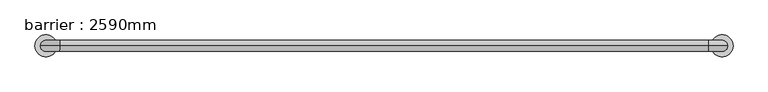
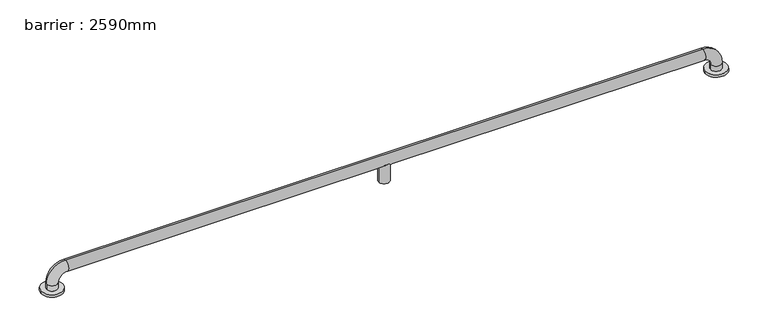
"""IFC4 building model written with IfcOpenShell, lengths in millimetres: geographic element geometry, barrier : 2590mm."""

from ifc_helpers import new_model, si_unit, point, frame, origin, place, context, project, spatial, circle_curve, ellipse_curve, trimmed, source, transform, mapped, element, save
from ifc_brep_helpers import plane_surface, cylinder_surface, revolved_surface, advanced_brep


def barrier_2590mm_ae990347(model_context):
    return source(origin(), model_context, "Body", "AdvancedBrep", [
        advanced_brep(
        [(-513.2930731, 0.0, 0.0), (-433.2930731, 0.0, 0.0), (1949.2740909, 0.0, 0.0), (2029.2740909, 0.0, 0.0), (-453.2930731, 0.0, 30.0), (-493.2930731, 0.0, 30.0), (-493.2930731, 0.0, 10.0), (-453.2930731, 0.0, 10.0), (-423.2930731, 0.0, 60.0), (-423.2930731, 0.0, 100.0), (737.9905089, 0.0, 60.0), (749.2967977, -18.0116458, 71.3062888), (766.6842201, -18.0116458, 71.3062888), (777.9905089, 0.0, 60.0), (1939.2740909, 0.0, 60.0), (1939.2740909, 0.0, 100.0), (766.6842201, 18.0116458, 71.3062888), (749.2967977, 18.0116458, 71.3062888), (1969.2740909, 0.0, 30.0), (2009.2740909, 0.0, 30.0), (1969.2740909, 0.0, 10.0), (2009.2740909, 0.0, 10.0), (737.9905089, 0.0, 0.0), (777.9905089, 0.0, 0.0), (-513.2930731, 0.0, 10.0), (-433.2930731, 0.0, 10.0), (1949.2740909, 0.0, 10.0), (2029.2740909, 0.0, 10.0)],
        [
            (0, 1, circle_curve(frame((-473.2930731, 0.0, 0.0), z_axis=(0.0, 0.0, -1.0), x_axis=(1.0, 0.0, 0.0)), 40.0)),
            (1, 0, circle_curve(frame((-473.2930731, 0.0, 0.0), z_axis=(0.0, 0.0, -1.0), x_axis=(1.0, 0.0, 0.0)), 40.0)),
            (2, 3, circle_curve(frame((1989.2740909, 0.0, 0.0), z_axis=(0.0, 0.0, -1.0), x_axis=(1.0, 0.0, 0.0)), 40.0)),
            (3, 2, circle_curve(frame((1989.2740909, 0.0, 0.0), z_axis=(0.0, 0.0, -1.0), x_axis=(1.0, 0.0, 0.0)), 40.0)),
            (4, 5, circle_curve(frame((-473.2930731, 0.0, 30.0), z_axis=(0.0, 0.0, -1.0), x_axis=(-1.0, 0.0, 0.0)), 20.0)),
            (5, 6),
            (6, 7, circle_curve(frame((-473.2930731, 0.0, 10.0), z_axis=(0.0, 0.0, 1.0), x_axis=(-1.0, 0.0, 0.0)), 20.0)),
            (7, 4),
            (5, 4, circle_curve(frame((-473.2930731, 0.0, 30.0), z_axis=(0.0, 0.0, -1.0), x_axis=(-1.0, 0.0, 0.0)), 20.0)),
            (7, 6, circle_curve(frame((-473.2930731, 0.0, 10.0), z_axis=(0.0, 0.0, 1.0), x_axis=(-1.0, 0.0, 0.0)), 20.0)),
            (4, 8, circle_curve(frame((-423.2930731, 0.0, 30.0), z_axis=(0.0, 1.0, 0.0), x_axis=(-1.0, 0.0, 0.0)), 30.0)),
            (8, 9, circle_curve(frame((-423.2930731, 0.0, 80.0), z_axis=(-1.0, 0.0, 0.0), x_axis=(0.0, 0.0, 1.0)), 20.0)),
            (9, 5, circle_curve(frame((-423.2930731, 0.0, 30.0), z_axis=(0.0, -1.0, 0.0), x_axis=(-1.0, 0.0, 0.0)), 70.0)),
            (9, 8, circle_curve(frame((-423.2930731, 0.0, 80.0), z_axis=(-1.0, 0.0, 0.0), x_axis=(0.0, 0.0, 1.0)), 20.0)),
            (8, 10),
            (10, 11, ellipse_curve(frame((757.9905089, 0.0, 80.0), z_axis=(-0.7071067811865475, 0.0, 0.7071067811865475), x_axis=(-0.7071067811865476, 0.0, -0.7071067811865474)), 28.2842712, 20.0)),
            (11, 12),
            (12, 13, ellipse_curve(frame((757.9905089, 0.0, 80.0), z_axis=(0.7071067811865475, 0.0, 0.7071067811865475), x_axis=(-0.7071067811865476, 0.0, 0.7071067811865474)), 28.2842712, 20.0)),
            (13, 14),
            (14, 15, circle_curve(frame((1939.2740909, 0.0, 80.0), z_axis=(-1.0, 0.0, 0.0), x_axis=(0.0, 0.0, 1.0)), 20.0)),
            (15, 9),
            (15, 14, circle_curve(frame((1939.2740909, 0.0, 80.0), z_axis=(-1.0, 0.0, 0.0), x_axis=(0.0, 0.0, 1.0)), 20.0)),
            (13, 16, ellipse_curve(frame((757.9905089, 0.0, 80.0), z_axis=(0.7071067811865475, 0.0, 0.7071067811865475), x_axis=(-0.7071067811865476, 0.0, 0.7071067811865474)), 28.2842712, 20.0)),
            (16, 17),
            (17, 10, ellipse_curve(frame((757.9905089, 0.0, 80.0), z_axis=(-0.7071067811865475, 0.0, 0.7071067811865475), x_axis=(-0.7071067811865476, 0.0, -0.7071067811865474)), 28.2842712, 20.0)),
            (14, 18, circle_curve(frame((1939.2740909, 0.0, 30.0), z_axis=(0.0, 1.0, 0.0), x_axis=(0.0, 0.0, 1.0)), 30.0)),
            (18, 19, circle_curve(frame((1989.2740909, 0.0, 30.0), z_axis=(0.0, 0.0, 1.0), x_axis=(1.0, 0.0, 0.0)), 20.0)),
            (19, 15, circle_curve(frame((1939.2740909, 0.0, 30.0), z_axis=(0.0, -1.0, 0.0), x_axis=(0.0, 0.0, 1.0)), 70.0)),
            (19, 18, circle_curve(frame((1989.2740909, 0.0, 30.0), z_axis=(0.0, 0.0, 1.0), x_axis=(1.0, 0.0, 0.0)), 20.0)),
            (18, 20),
            (20, 21, circle_curve(frame((1989.2740909, 0.0, 10.0), z_axis=(0.0, 0.0, 1.0), x_axis=(1.0, 0.0, 0.0)), 20.0)),
            (21, 19),
            (21, 20, circle_curve(frame((1989.2740909, 0.0, 10.0), z_axis=(0.0, 0.0, 1.0), x_axis=(1.0, 0.0, 0.0)), 20.0)),
            (22, 23, circle_curve(frame((757.9905089, 0.0, 0.0), z_axis=(0.0, 0.0, -1.0), x_axis=(1.0, 0.0, 0.0)), 20.0)),
            (23, 22, circle_curve(frame((757.9905089, 0.0, 0.0), z_axis=(0.0, 0.0, -1.0), x_axis=(1.0, 0.0, 0.0)), 20.0)),
            (23, 13),
            (12, 11, circle_curve(frame((757.9905089, 0.0, 71.3062888), z_axis=(0.0, 0.0, -1.0), x_axis=(1.0, 0.0, 0.0)), 20.0)),
            (10, 22),
            (17, 16, circle_curve(frame((757.9905089, 0.0, 71.3062888), z_axis=(0.0, 0.0, -1.0), x_axis=(1.0, 0.0, 0.0)), 20.0)),
            (24, 25, circle_curve(frame((-473.2930731, 0.0, 10.0), z_axis=(0.0, 0.0, 1.0), x_axis=(1.0, 0.0, 0.0)), 40.0)),
            (25, 24, circle_curve(frame((-473.2930731, 0.0, 10.0), z_axis=(0.0, 0.0, 1.0), x_axis=(1.0, 0.0, 0.0)), 40.0)),
            (26, 27, circle_curve(frame((1989.2740909, 0.0, 10.0), z_axis=(0.0, 0.0, 1.0), x_axis=(1.0, 0.0, 0.0)), 40.0)),
            (27, 26, circle_curve(frame((1989.2740909, 0.0, 10.0), z_axis=(0.0, 0.0, 1.0), x_axis=(1.0, 0.0, 0.0)), 40.0)),
            (24, 0),
            (1, 25),
            (26, 2),
            (3, 27),
        ],
        [
            plane_surface(frame((-473.2930731, -20.0, 0.0), z_axis=(0.0, 0.0, -1.0), x_axis=(1.0, 0.0, 0.0))),
            cylinder_surface(frame((-473.2930731, 0.0, 0.0), z_axis=(0.0, 0.0, -1.0), x_axis=(-1.0, 0.0, 0.0)), 20.0),
            revolved_surface(trimmed(ellipse_curve(frame((-473.2930731, 0.0, 30.0), z_axis=(0.0, 0.0, -1.0), x_axis=(-1.0, 0.0, 0.0)), 20.0, 20.0), [point((-453.2930731, 0.0, 30.0))], [point((-493.2930731, 0.0, 30.0))], True, "CARTESIAN"), (-423.2930731, 0.0, 30.0), (0.0, 1.0, 0.0)),
            revolved_surface(trimmed(ellipse_curve(frame((-473.2930731, 0.0, 30.0), z_axis=(0.0, 0.0, -1.0), x_axis=(-1.0, 0.0, 0.0)), 20.0, 20.0), [point((-493.2930731, 0.0, 30.0))], [point((-453.2930731, 0.0, 30.0))], True, "CARTESIAN"), (-423.2930731, 0.0, 30.0), (0.0, 1.0, 0.0)),
            cylinder_surface(frame((-423.2930731, 0.0, 80.0), z_axis=(-1.0, 0.0, 0.0), x_axis=(0.0, 0.0, 1.0)), 20.0),
            revolved_surface(trimmed(ellipse_curve(frame((1939.2740909, 0.0, 80.0), z_axis=(-1.0, 0.0, 0.0), x_axis=(0.0, 0.0, 1.0)), 20.0, 20.0), [point((1939.2740909, 0.0, 60.0))], [point((1939.2740909, 0.0, 100.0))], True, "CARTESIAN"), (1939.2740909, 0.0, 30.0), (0.0, 1.0, 0.0)),
            revolved_surface(trimmed(ellipse_curve(frame((1939.2740909, 0.0, 80.0), z_axis=(-1.0, 0.0, 0.0), x_axis=(0.0, 0.0, 1.0)), 20.0, 20.0), [point((1939.2740909, 0.0, 100.0))], [point((1939.2740909, 0.0, 60.0))], True, "CARTESIAN"), (1939.2740909, 0.0, 30.0), (0.0, 1.0, 0.0)),
            cylinder_surface(frame((1989.2740909, 0.0, 30.0), z_axis=(0.0, 0.0, 1.0), x_axis=(1.0, 0.0, 0.0)), 20.0),
            plane_surface(frame((777.9905089, 0.0, 0.0), z_axis=(0.0, 0.0, -1.0), x_axis=(0.0, -1.0, 0.0))),
            cylinder_surface(frame((757.9905089, 0.0, 0.0), z_axis=(0.0, 0.0, 1.0), x_axis=(1.0, 0.0, 0.0)), 20.0),
            plane_surface(frame((-433.2930731, 0.0, 10.0), z_axis=(0.0, 0.0, 1.0), x_axis=(0.0, 1.0, 0.0))),
            cylinder_surface(frame((-473.2930731, 0.0, 0.0), z_axis=(0.0, 0.0, 1.0), x_axis=(1.0, 0.0, 0.0)), 40.0),
            cylinder_surface(frame((1989.2740909, 0.0, 0.0), z_axis=(0.0, 0.0, 1.0), x_axis=(1.0, 0.0, 0.0)), 40.0),
            plane_surface(frame((777.9905089, 0.0, 71.3062888), z_axis=(0.0, 0.0, 1.0), x_axis=(0.0, 1.0, 0.0))),
        ],
        [
            (0, [[1, 2]]),
            (0, [[3, 4]]),
            (1, [[5, 6, 7, 8]]),
            (1, [[9, -8, 10, -6]]),
            (2, [[-5, 11, 12, 13]]),
            (3, [[-9, -13, 14, -11]]),
            (4, [[-12, 15, 16, 17, 18, 19, 20, 21]]),
            (4, [[-14, -21, 22, -19, 23, 24, 25, -15]]),
            (5, [[-20, 26, 27, 28]]),
            (6, [[-22, -28, 29, -26]]),
            (7, [[-27, 30, 31, 32]]),
            (7, [[-29, -32, 33, -30]]),
            (8, [[34, 35]]),
            (9, [[-35, 36, -18, 37, -16, 38]]),
            (9, [[-34, -38, -25, 39, -23, -36]]),
            (10, [[40, 41], [-7, -10]]),
            (10, [[42, 43], [-31, -33]]),
            (11, [[-40, 44, -2, 45]]),
            (11, [[-41, -45, -1, -44]]),
            (12, [[-42, 46, -4, 47]]),
            (12, [[-43, -47, -3, -46]]),
            (13, [[-37, -17]]),
            (13, [[-39, -24]]),
        ],
    ),
    ])


if __name__ == "__main__":
    model = new_model("IFC4")
    model_context = context("Model", 3, world=origin())
    ifc_project = project(units=[si_unit("LENGTHUNIT", "METRE", prefix="MILLI")], contexts=[model_context])
    site = spatial("IfcSite", under=ifc_project)
    building = spatial("IfcBuilding", under=site)
    placement = place(None, origin())
    barrier_2590mm_shape = barrier_2590mm_ae990347(model_context)
    element("IfcGeographicElement", 1, ObjectType="barrier : 2590mm", at=placement, inside=building, context=model_context, shape_type="MappedRepresentation", body=[
        mapped(barrier_2590mm_shape, transform((0.0, 0.0, 0.0), x_axis=(1.0, 0.0, 0.0), y_axis=(0.0, 1.0, 0.0), z_axis=(0.0, 0.0, 1.0))),
    ])
    save(model, "model.ifc")
